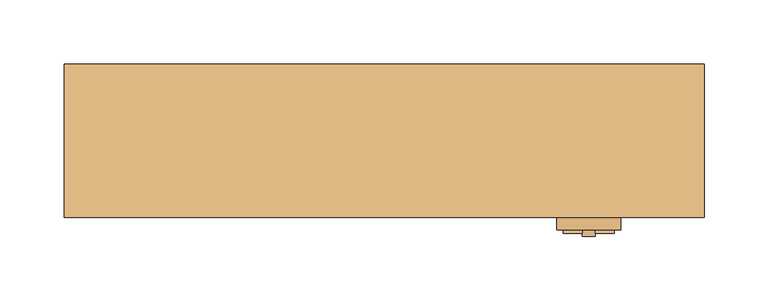
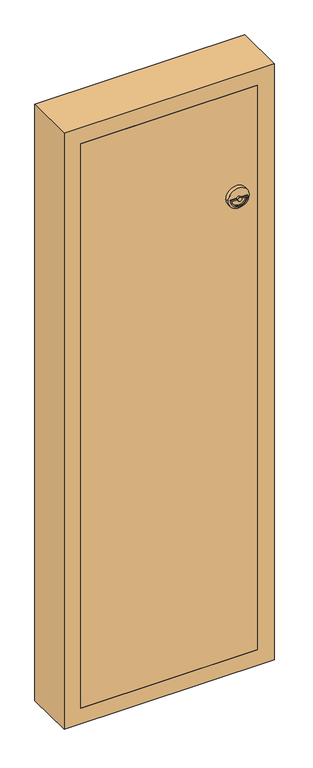
"""IFC4 building model written with IfcOpenShell, lengths in millimetres: door geometry."""

from ifc_helpers import new_model, si_unit, point, frame, frame_2d, origin, place, context, project, spatial, polyline, circle_curve, trimmed, segment, composite_curve, outline, extrude, faceted_brep, source, transform, mapped, element, save


def door_a52baa47(model_context):
    return source(origin(), model_context, "Body", "SolidModel", [
        extrude(outline(composite_curve([segment(trimmed(circle_curve(frame_2d((1700.0, 160.0)), 5.0), [point((1700.0, 165.0))], [point((1700.0, 155.0))], False, "CARTESIAN"), True, "CONTINUOUS"), segment(trimmed(circle_curve(frame_2d((1700.0, 160.0)), 5.0), [point((1700.0, 155.0))], [point((1700.0, 165.0))], False, "CARTESIAN"), True, "CONTINUOUS")], self_intersect=False)), frame((0.0, -75.0, 0.0), z_axis=(0.0, 1.0, 0.0), x_axis=(0.0, 0.0, 1.0)), (0.0, 0.0, 1.0), 5.0),
        extrude(outline(composite_curve([segment(trimmed(circle_curve(frame_2d((1700.0, 160.0)), 20.0), [point((1701.25, 140.0391007))], [point((1701.25, 179.9608993))], False, "CARTESIAN"), True, "CONTINUOUS"), segment(polyline([(1701.25, 179.9608993), (1701.25, 140.0391007)]), True, "CONTINUOUS")], self_intersect=False), holes=[composite_curve([segment(polyline([(1698.75, 142.5446999), (1698.75, 177.4553001)]), True, "CONTINUOUS"), segment(trimmed(circle_curve(frame_2d((1700.0, 160.0)), 17.5), [point((1698.75, 177.4553001))], [point((1698.75, 142.5446999))], True, "CARTESIAN"), True, "CONTINUOUS")], self_intersect=False)]), frame((0.0, -72.5, 0.0), z_axis=(0.0, 1.0, 0.0), x_axis=(0.0, 0.0, 1.0)), (0.0, 0.0, 1.0), 2.5),
        extrude(outline(composite_curve([segment(trimmed(circle_curve(frame_2d((1700.0, 160.0)), 25.0), [point((1700.0, 185.0))], [point((1700.0, 135.0))], False, "CARTESIAN"), True, "CONTINUOUS"), segment(trimmed(circle_curve(frame_2d((1700.0, 160.0)), 25.0), [point((1700.0, 135.0))], [point((1700.0, 185.0))], False, "CARTESIAN"), True, "CONTINUOUS")], self_intersect=False)), frame((0.0, -70.0, 0.0), z_axis=(0.0, 1.0, 0.0), x_axis=(0.0, 0.0, 1.0)), (0.0, 0.0, 1.0), 10.0),
        extrude(outline(polyline([(210.0, -60.0), (-210.0, -60.0), (-210.0, 0.0), (210.0, 0.0), (210.0, -60.0)])), frame((0.0, 0.0, 540.0), z_axis=(0.0, 0.0, 1.0), x_axis=(1.0, 0.0, 0.0)), (0.0, 0.0, 1.0), 1420.0),
        faceted_brep([(-200.0, 0.0, 1950.0), (-200.0, 0.0, 550.0), (-200.0, 60.0, 550.0), (-200.0, 60.0, 1950.0), (-210.0, -60.0, 1960.0), (-210.0, -60.0, 540.0), (-210.0, 0.0, 540.0), (-210.0, 0.0, 1960.0), (-250.0, 60.0, 2000.0), (-250.0, 60.0, 500.0), (-250.0, -60.0, 500.0), (-250.0, -60.0, 2000.0), (200.0, 0.0, 550.0), (200.0, 60.0, 550.0), (210.0, -60.0, 540.0), (210.0, 0.0, 540.0), (250.0, 60.0, 500.0), (250.0, -60.0, 500.0), (200.0, 0.0, 1950.0), (200.0, 60.0, 1950.0), (210.0, -60.0, 1960.0), (210.0, 0.0, 1960.0), (250.0, 60.0, 2000.0), (250.0, -60.0, 2000.0)], [[[0, 1, 2, 3]], [[4, 5, 6, 7]], [[8, 9, 10, 11]], [[1, 12, 13, 2]], [[5, 14, 15, 6]], [[9, 16, 17, 10]], [[12, 18, 19, 13]], [[14, 20, 21, 15]], [[16, 22, 23, 17]], [[9, 8, 22, 16], [3, 2, 13, 19]], [[18, 0, 3, 19]], [[7, 6, 15, 21], [1, 0, 18, 12]], [[20, 4, 7, 21]], [[11, 10, 17, 23], [5, 4, 20, 14]], [[22, 8, 11, 23]]]),
    ])


if __name__ == "__main__":
    model = new_model("IFC4")
    model_context = context("Model", 3, world=origin())
    ifc_project = project(units=[si_unit("LENGTHUNIT", "METRE", prefix="MILLI")], contexts=[model_context])
    site = spatial("IfcSite", under=ifc_project)
    building = spatial("IfcBuilding", under=site)
    placement = place(None, origin())
    door_shape = door_a52baa47(model_context)
    element("IfcDoor", 1, at=placement, inside=building, context=model_context, shape_type="MappedRepresentation", body=[
        mapped(door_shape, transform((0.0, 0.0, 0.0), x_axis=(1.0, 0.0, 0.0), y_axis=(0.0, 1.0, 0.0), z_axis=(0.0, 0.0, 1.0))),
    ])
    save(model, "model.ifc")
